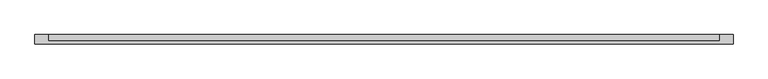
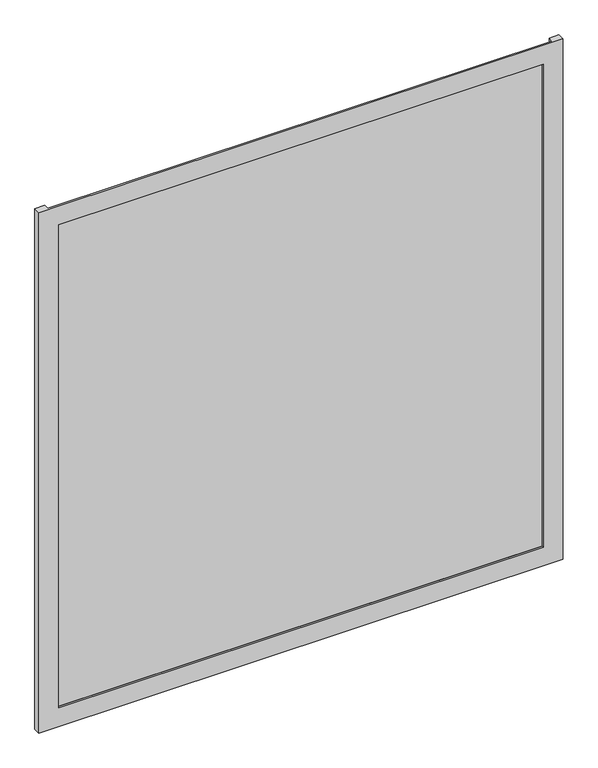
"""IFC4 building model written with IfcOpenShell, lengths in millimetres: plate geometry."""

import ifcopenshell
import ifcopenshell.guid

model = None  # the IFC model being written
_history = None  # IfcOwnerHistory: only IFC2X3 demands one
_inside = {}  # id of a spatial element -> (the spatial element, [elements in it])
_under = {}  # id of a project, library or spatial element -> (it, [spatial elements below it])
_declared = {}  # id of a project -> (the project, [libraries it declares])
_typed = {}  # id of a type object -> (the type object, [elements of that type])
_made_of = {}  # id of a material, layer set ... -> (it, [elements and type objects made of it])


def new_model(schema):
    """Start an empty IFC model of exactly this schema.

    Asked for "IFC4X3", IfcOpenShell would pick the latest addendum, in which some entities
    have other attributes; the version numbers below select the first issue.
    IFC2X3 requires an IfcOwnerHistory on every rooted entity: one is made here for all.
    """
    global model, _history
    if schema == "IFC4X3":
        model = ifcopenshell.file(schema_version=(4, 3, 0, 0))
    else:
        model = ifcopenshell.file(schema=schema)
    _inside.clear()
    _under.clear()
    _declared.clear()
    _typed.clear()
    _made_of.clear()
    _history = None
    if model.schema == "IFC2X3":
        org = make("IfcOrganization", Name="unknown")
        user = make(
            "IfcPersonAndOrganization",
            ThePerson=make("IfcPerson", FamilyName="unknown"),
            TheOrganization=org,
        )
        app = make(
            "IfcApplication",
            ApplicationDeveloper=org,
            Version="unknown",
            ApplicationFullName="unknown",
            ApplicationIdentifier="unknown",
        )
        _history = make(
            "IfcOwnerHistory",
            OwningUser=user,
            OwningApplication=app,
            ChangeAction="ADDED",
            CreationDate=0,
        )
    return model


def make(cls, **values):
    """One entity of the class cls with the attributes given. An attribute that is None is left unset."""
    return model.create_entity(
        cls, **{name: value for name, value in values.items() if value is not None}
    )


def rooted(cls, **values):
    """An entity with a GlobalId (a new one), such as an element, a storey or a relation."""
    return make(cls, GlobalId=ifcopenshell.guid.new(), OwnerHistory=_history, **values)


def si_unit(unit_type, name, prefix=None):
    """IfcSIUnit, for example si_unit("LENGTHUNIT", "METRE", prefix="MILLI")."""
    return make("IfcSIUnit", UnitType=unit_type, Prefix=prefix, Name=name)


def assignment(units):
    """IfcUnitAssignment: the units of a project."""
    return None if units is None else make("IfcUnitAssignment", Units=units)


def point(xyz):
    """IfcCartesianPoint."""
    return None if xyz is None else make("IfcCartesianPoint", Coordinates=xyz)


def direction(xyz):
    """IfcDirection."""
    return None if xyz is None else make("IfcDirection", DirectionRatios=xyz)


def frame(location, z_axis=None, x_axis=None):
    """IfcAxis2Placement3D, a coordinate frame: its origin and axes. An axis left out is left unset."""
    return make(
        "IfcAxis2Placement3D",
        Location=point(location),
        Axis=direction(z_axis),
        RefDirection=direction(x_axis),
    )


def origin():
    """The frame at (0, 0, 0) with its axes left unset."""
    return frame((0.0, 0.0, 0.0))


def origin_with_axes():
    """The frame at (0, 0, 0) with the z axis (0, 0, 1) and the x axis (1, 0, 0) written out."""
    return frame((0.0, 0.0, 0.0), z_axis=(0.0, 0.0, 1.0), x_axis=(1.0, 0.0, 0.0))


def place(relative_to, where):
    """IfcLocalPlacement: puts the frame where relative to a parent placement (None: the world)."""
    return make(
        "IfcLocalPlacement", PlacementRelTo=relative_to, RelativePlacement=where
    )


def context(
    kind, dimensions, precision=None, world=None, true_north=None, identifier=None
):
    """IfcGeometricRepresentationContext, for example the 3D "Model" context."""
    return make(
        "IfcGeometricRepresentationContext",
        ContextIdentifier=identifier,
        ContextType=kind,
        CoordinateSpaceDimension=dimensions,
        Precision=precision,
        WorldCoordinateSystem=world,
        TrueNorth=true_north,
    )


def project(units=None, contexts=None):
    """IfcProject with its units and contexts."""
    return rooted(
        "IfcProject",
        Name="project",
        RepresentationContexts=contexts,
        UnitsInContext=assignment(units),
    )


def spatial(cls, under=None, at=None, **own):
    """A site, building, storey or space (cls), placed at a placement, below another one or the project."""
    s = rooted(cls, ObjectPlacement=at, **own)
    if under is not None:
        _under.setdefault(under.id(), (under, []))[1].append(s)
    return s


def polyline(points):
    """IfcPolyline through the points."""
    return make("IfcPolyline", Points=[point(p) for p in points])


def outline(outer, holes=None, kind="AREA"):
    """IfcArbitraryClosedProfileDef: a profile drawn as a closed curve; with holes, ...WithVoids."""
    if holes is None:
        return make("IfcArbitraryClosedProfileDef", ProfileType=kind, OuterCurve=outer)
    return make(
        "IfcArbitraryProfileDefWithVoids",
        ProfileType=kind,
        OuterCurve=outer,
        InnerCurves=holes,
    )


def extrude(swept, where, along, depth):
    """IfcExtrudedAreaSolid: the profile swept, set in the frame where, extruded along a direction by depth."""
    return make(
        "IfcExtrudedAreaSolid",
        SweptArea=swept,
        Position=where,
        ExtrudedDirection=direction(along),
        Depth=depth,
    )


def faces_of(points, faces, orient=None, outer=None):
    """IfcFace entities. A face is a list of loops; a loop is a list of indices into points, from 0.

    orient and outer hold one flag for each loop. By default every Orientation is true, the
    first loop of a face is its IfcFaceOuterBound and the others are IfcFaceBound.
    """
    made = []
    for i, loops in enumerate(faces):
        bounds = []
        for j, loop in enumerate(loops):
            is_outer = j == 0 if outer is None else outer[i][j]
            bounds.append(
                make(
                    "IfcFaceOuterBound" if is_outer else "IfcFaceBound",
                    Bound=make("IfcPolyLoop", Polygon=[points[k] for k in loop]),
                    Orientation=True if orient is None else orient[i][j],
                )
            )
        made.append(make("IfcFace", Bounds=bounds))
    return made


def faceted_brep(points, faces, orient=None, outer=None, voids=None):
    """IfcFacetedBrep: a solid bounded by flat faces; with voids (closed shells), ...WithVoids."""
    shared = [point(p) for p in points]
    hull = make("IfcClosedShell", CfsFaces=faces_of(shared, faces, orient, outer))
    if voids is None:
        return make("IfcFacetedBrep", Outer=hull)
    return make(
        "IfcFacetedBrepWithVoids",
        Outer=hull,
        Voids=[
            make(cls, CfsFaces=faces_of(shared, fs, o, b)) for cls, fs, o, b in voids
        ],
    )


def shape(context_of_items, identifier, shape_type, items):
    """IfcShapeRepresentation: the items that make up one representation, for example the "Body"."""
    return make(
        "IfcShapeRepresentation",
        ContextOfItems=context_of_items,
        RepresentationIdentifier=identifier,
        RepresentationType=shape_type,
        Items=items,
    )


def source(mapping_origin, context_of_items, identifier, shape_type, items):
    """IfcRepresentationMap: a shape defined once, which mapped items show again and again."""
    return make(
        "IfcRepresentationMap",
        MappingOrigin=mapping_origin,
        MappedRepresentation=shape(context_of_items, identifier, shape_type, items),
    )


def transform(
    local_origin,
    x_axis=None,
    y_axis=None,
    z_axis=None,
    scale=None,
    scale2=None,
    scale3=None,
    uniform=True,
):
    """IfcCartesianTransformationOperator3D, or its non-uniform kind. x_axis, y_axis, z_axis: its Axis1, 2, 3."""
    if uniform:
        return make(
            "IfcCartesianTransformationOperator3D",
            Axis1=direction(x_axis),
            Axis2=direction(y_axis),
            LocalOrigin=point(local_origin),
            Scale=scale,
            Axis3=direction(z_axis),
        )
    return make(
        "IfcCartesianTransformationOperator3DnonUniform",
        Axis1=direction(x_axis),
        Axis2=direction(y_axis),
        LocalOrigin=point(local_origin),
        Scale=scale,
        Axis3=direction(z_axis),
        Scale2=scale2,
        Scale3=scale3,
    )


def mapped(mapping_source, mapping_target):
    """IfcMappedItem: shows the shape of a source again, moved by a transform."""
    return make(
        "IfcMappedItem", MappingSource=mapping_source, MappingTarget=mapping_target
    )


def made_of(thing, what):
    """Note that an element or type object is made of a material, layer set ...; save() writes the relation."""
    if what is not None:
        _made_of.setdefault(what.id(), (what, []))[1].append(thing)
    return thing


def element(
    cls,
    number,
    at=None,
    inside=None,
    cuts=None,
    type_object=None,
    material=None,
    context=None,
    identifier="Body",
    shape_type=None,
    held_by="IfcProductDefinitionShape",
    body=None,
    shapes=None,
    **own,
):
    """One element of the class cls, such as IfcWall. Its Tag is "e" and its number.

    at: its placement. inside: the storey or other place that contains it. cuts: it is an
    opening in that element (IfcRelVoidsElement). A single representation is given by context,
    identifier, shape_type and body (its items); several are given by shapes. held_by: the class
    of the entity that holds the representations. save() writes the other relations.
    """
    e = rooted(cls, Tag="e%d" % number, ObjectPlacement=at, **own)
    if body is not None:
        shapes = [shape(context, identifier, shape_type, body)]
    if shapes is not None:
        e.Representation = make(held_by, Representations=shapes)
    if inside is not None:
        _inside.setdefault(inside.id(), (inside, []))[1].append(e)
    if cuts is not None:
        rooted(
            "IfcRelVoidsElement", RelatingBuildingElement=cuts, RelatedOpeningElement=e
        )
    if type_object is not None:
        _typed.setdefault(type_object.id(), (type_object, []))[1].append(e)
    return made_of(e, material)


def aggregate(whole, parts):
    """IfcRelAggregates: a whole, such as a stair, and the parts it consists of."""
    return rooted("IfcRelAggregates", RelatingObject=whole, RelatedObjects=parts)


def save(model, path):
    """Write the relations noted so far, then the file.

    IfcRelAggregates (storeys below a building ...), IfcRelContainedInSpatialStructure (elements
    in a storey), IfcRelDefinesByType, IfcRelAssociatesMaterial and IfcRelDeclares: one each for
    every whole, place, type object, material and project.
    """
    for whole, parts in _under.values():
        aggregate(whole, parts)
    for where, things in _inside.values():
        rooted(
            "IfcRelContainedInSpatialStructure",
            RelatedElements=things,
            RelatingStructure=where,
        )
    for kind, things in _typed.values():
        rooted("IfcRelDefinesByType", RelatedObjects=things, RelatingType=kind)
    for what, things in _made_of.values():
        rooted("IfcRelAssociatesMaterial", RelatedObjects=things, RelatingMaterial=what)
    for by, libraries in _declared.values():
        rooted("IfcRelDeclares", RelatingContext=by, RelatedDefinitions=libraries)
    model.write(path)


def plate_c1c44ec7(model_context):
    return source(origin(), model_context, "Body", "SolidModel", [
        faceted_brep([(662.5, -50.8, -50.0), (662.5, -68.2, -50.0), (-662.5, -68.2, -50.0), (-662.5, -50.8, -50.0), (-637.5, -50.8, -50.0), (-637.5, -63.2, -50.0), (637.5, -63.2, -50.0), (637.5, -50.8, -50.0), (612.5, -68.2, 0.0), (612.5, -63.2, 0.0), (-612.5, -63.2, 0.0), (-612.5, -68.2, 0.0), (662.5, -68.2, 1340.0), (-662.5, -68.2, 1340.0), (-612.5, -68.2, 1290.0), (612.5, -68.2, 1290.0), (-637.5, -63.2, 1340.0), (637.5, -63.2, 1340.0), (612.5, -63.2, 1290.0), (-612.5, -63.2, 1290.0), (662.5, -50.8, 1340.0), (637.5, -50.8, 1340.0), (-637.5, -50.8, 1340.0), (-662.5, -50.8, 1340.0)], [[[0, 1, 2, 3, 4, 5, 6, 7]], [[8, 9, 10, 11]], [[12, 13, 2, 1], [11, 14, 15, 8]], [[16, 17, 6, 5], [9, 18, 19, 10]], [[20, 21, 17, 16, 22, 23, 13, 12]], [[20, 0, 7, 21]], [[21, 7, 6, 17]], [[8, 15, 18, 9]], [[12, 1, 0, 20]], [[22, 4, 3, 23]], [[16, 5, 4, 22]], [[10, 19, 14, 11]], [[23, 3, 2, 13]], [[18, 15, 14, 19]]]),
        extrude(outline(polyline([(637.5, -50.8), (637.5, -63.2), (-637.5, -63.2), (-637.5, -50.8), (637.5, -50.8)])), origin_with_axes(), (0.0, 0.0, 1.0), 1290.0),
    ])


if __name__ == "__main__":
    model = new_model("IFC4")
    model_context = context("Model", 3, world=origin())
    ifc_project = project(units=[si_unit("LENGTHUNIT", "METRE", prefix="MILLI")], contexts=[model_context])
    site = spatial("IfcSite", under=ifc_project)
    building = spatial("IfcBuilding", under=site)
    placement = place(None, origin())
    plate_shape = plate_c1c44ec7(model_context)
    element("IfcPlate", 1, at=placement, inside=building, context=model_context, shape_type="MappedRepresentation", body=[
        mapped(plate_shape, transform((0.0, 0.0, 0.0), x_axis=(1.0, 0.0, 0.0), y_axis=(0.0, 1.0, 0.0), z_axis=(0.0, 0.0, 1.0))),
    ])
    save(model, "model.ifc")
